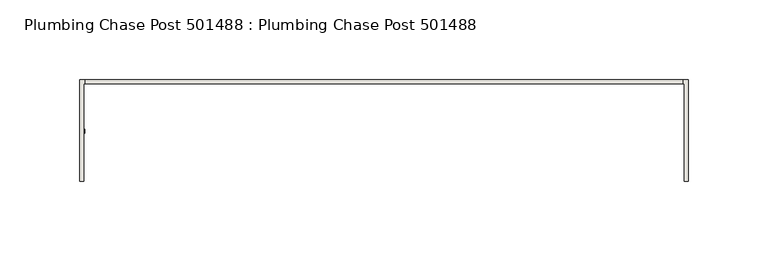
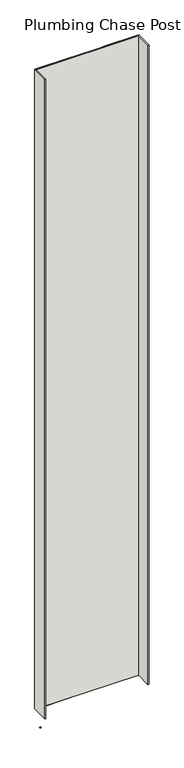
"""IFC4 building model written with IfcOpenShell, lengths in millimetres: wall geometry, Plumbing Chase Post 501488 : Plumbing Chase Post 501488."""

from ifc_helpers import new_model, si_unit, frame, origin, place, context, project, spatial, polyline, outline, extrude, source, transform, mapped, element, save


def plumbing_chase_post_501488_plumbing_chase_post_501488_8944b5d4(model_context):
    return source(origin(), model_context, "Body", "SweptSolid", [
        extrude(outline(polyline([(47203.4493064, -53342.677668), (47200.9093064, -53342.677668), (47200.9093064, -53340.137668), (47203.4493064, -53340.137668), (47203.4493064, -53342.677668)])), frame((0.0, 0.0, 4419.6), z_axis=(0.0, 0.0, 1.0), x_axis=(1.0, 0.0, 0.0)), (0.0, 0.0, 1.0), 2.54),
        extrude(outline(polyline([(47203.6148636, -53309.3910188), (47579.2043334, -53309.3910188), (47579.2043334, -53312.0575108), (47203.6148636, -53312.0575108), (47203.6148636, -53309.3910188)])), frame((0.0, 0.0, 4474.8958), z_axis=(0.0, 0.0, 1.0), x_axis=(1.0, 0.0, 0.0)), (0.0, 0.0, 1.0), 2481.1482254),
        extrude(outline(polyline([(47203.6148636, -53309.3910188), (47579.2043334, -53309.3910188), (47579.2043334, -53312.0575108), (47203.6148636, -53312.0575108), (47203.6148636, -53309.3910188)])), frame((0.0, 0.0, 4474.8958), z_axis=(0.0, 0.0, 1.0), x_axis=(1.0, 0.0, 0.0)), (0.0, 0.0, 1.0), 2481.1482254),
        extrude(outline(polyline([(47200.1608192, -53309.3910188), (47333.5108192, -53309.3910188), (47333.5108192, -53312.0575108), (47202.8273112, -53312.0575108), (47202.8273112, -53373.3995014), (47200.1608192, -53373.3995014), (47200.1608192, -53309.3910188)])), frame((0.0, 0.0, 4474.8958), z_axis=(0.0, 0.0, 1.0), x_axis=(1.0, 0.0, 0.0)), (0.0, 0.0, 1.0), 2481.1482254),
        extrude(outline(polyline([(47200.1608192, -53309.3910188), (47333.5108192, -53309.3910188), (47333.5108192, -53312.0575108), (47202.8273112, -53312.0575108), (47202.8273112, -53373.3995014), (47200.1608192, -53373.3995014), (47200.1608192, -53309.3910188)])), frame((0.0, 0.0, 4474.8958), z_axis=(0.0, 0.0, 1.0), x_axis=(1.0, 0.0, 0.0)), (0.0, 0.0, 1.0), 2481.1482254),
        extrude(outline(polyline([(47449.3084032, -53312.0575108), (47449.3084032, -53309.3910188), (47582.6584032, -53309.3910188), (47582.6584032, -53373.3995014), (47579.9918858, -53373.3995014), (47579.9918858, -53312.0575108), (47449.3084032, -53312.0575108)])), frame((0.0, 0.0, 4474.8958), z_axis=(0.0, 0.0, 1.0), x_axis=(1.0, 0.0, 0.0)), (0.0, 0.0, 1.0), 2481.1482254),
        extrude(outline(polyline([(47449.3084032, -53312.0575108), (47449.3084032, -53309.3910188), (47582.6584032, -53309.3910188), (47582.6584032, -53373.3995014), (47579.9918858, -53373.3995014), (47579.9918858, -53312.0575108), (47449.3084032, -53312.0575108)])), frame((0.0, 0.0, 4474.8958), z_axis=(0.0, 0.0, 1.0), x_axis=(1.0, 0.0, 0.0)), (0.0, 0.0, 1.0), 2481.1482254),
    ])


if __name__ == "__main__":
    model = new_model("IFC4")
    model_context = context("Model", 3, world=origin())
    ifc_project = project(units=[si_unit("LENGTHUNIT", "METRE", prefix="MILLI")], contexts=[model_context])
    site = spatial("IfcSite", under=ifc_project)
    building = spatial("IfcBuilding", under=site)
    placement = place(None, origin())
    plumbing_chase_post_501488_plumbing_chase_post_501488_shape = plumbing_chase_post_501488_plumbing_chase_post_501488_8944b5d4(model_context)
    element("IfcWall", 1, ObjectType="Plumbing Chase Post 501488 : Plumbing Chase Post 501488", at=placement, inside=building, context=model_context, shape_type="MappedRepresentation", body=[
        mapped(plumbing_chase_post_501488_plumbing_chase_post_501488_shape, transform((0.0, 0.0, 0.0), x_axis=(1.0, 0.0, 0.0), y_axis=(0.0, 1.0, 0.0), z_axis=(0.0, 0.0, 1.0))),
    ])
    save(model, "model.ifc")
